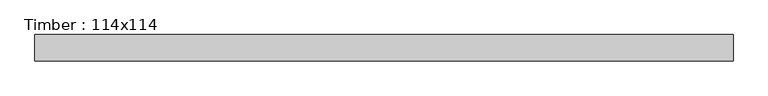
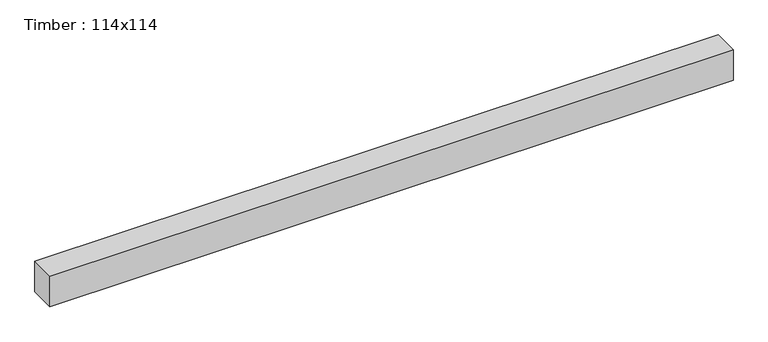
"""IFC4 building model written with IfcOpenShell, lengths in millimetres: beam geometry, Timber : 114x114."""

from ifc_helpers import new_model, si_unit, frame, origin, place, context, project, spatial, polyline, outline, extrude, source, transform, mapped, element, save


def timber_114x114_a7c783c4(model_context):
    return source(origin(), model_context, "Body", "SweptSolid", [
        extrude(outline(polyline([(1056.5, 40.0), (1056.5, -40.0), (-1056.5, -40.0), (-1056.5, 40.0), (1056.5, 40.0)])), frame((0.0, 0.0, -50.0), z_axis=(0.0, 0.0, 1.0), x_axis=(1.0, 0.0, 0.0)), (0.0, 0.0, 1.0), 100.0),
    ])


if __name__ == "__main__":
    model = new_model("IFC4")
    model_context = context("Model", 3, world=origin())
    ifc_project = project(units=[si_unit("LENGTHUNIT", "METRE", prefix="MILLI")], contexts=[model_context])
    site = spatial("IfcSite", under=ifc_project)
    building = spatial("IfcBuilding", under=site)
    placement = place(None, origin())
    timber_114x114_shape = timber_114x114_a7c783c4(model_context)
    element("IfcBeam", 1, ObjectType="Timber : 114x114", at=placement, inside=building, context=model_context, shape_type="MappedRepresentation", body=[
        mapped(timber_114x114_shape, transform((0.0, 0.0, 0.0), x_axis=(1.0, 0.0, 0.0), y_axis=(0.0, 1.0, 0.0), z_axis=(0.0, 0.0, 1.0))),
    ])
    save(model, "model.ifc")
